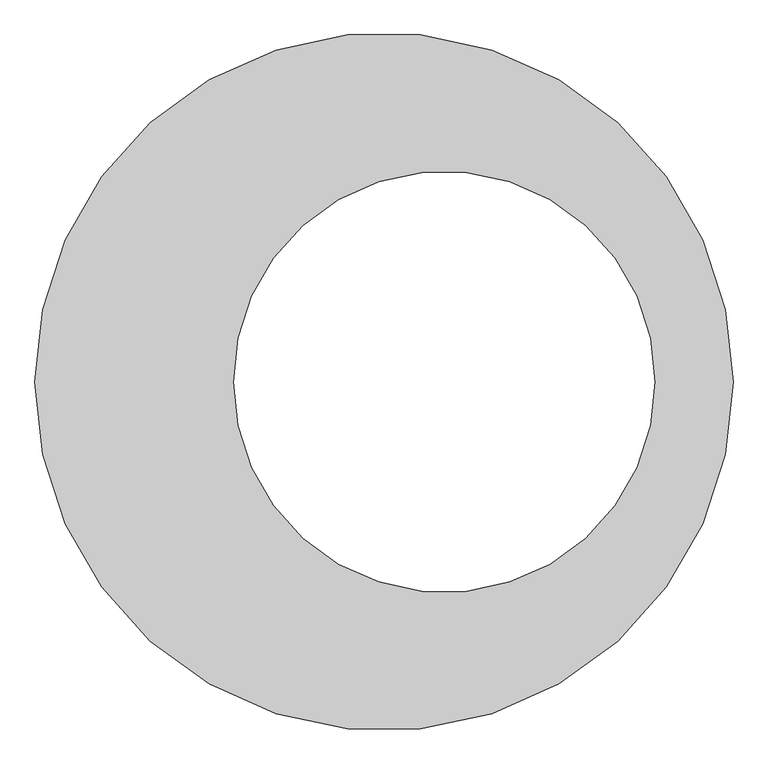
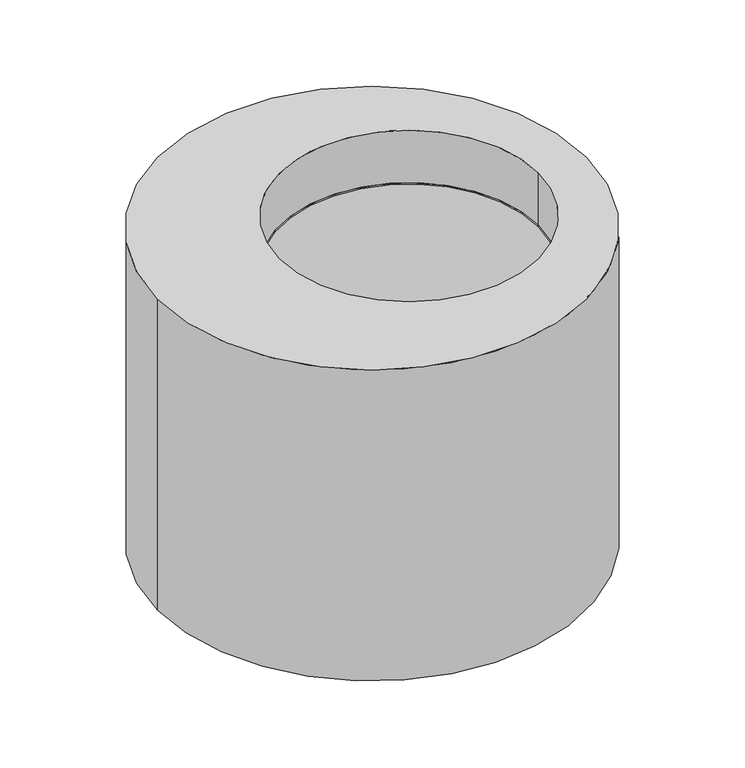
"""IFC4 building model written with IfcOpenShell, lengths in millimetres: proxy geometry."""

from ifc_helpers import new_model, si_unit, frame, origin, origin_with_axes, place, context, project, spatial, polyline, circle_curve, source, transform, mapped, element, save
from ifc_brep_helpers import plane_surface, cylinder_surface, revolved_surface, advanced_brep


def generic_models_6e55c019(model_context):
    return source(origin(), model_context, "Body", "AdvancedBrep", [
        advanced_brep(
        [(-496.0, 0.0, 736.0), (496.0, 0.0, 736.0), (-250.0, 0.0, 736.0), (450.0, 0.0, 736.0), (-500.0, 0.0, 740.0), (500.0, 0.0, 740.0), (450.0, 0.0, 740.0), (-250.0, 0.0, 740.0), (-500.0, 0.0, 736.0), (500.0, 0.0, 736.0), (-500.0, 0.0, 0.0), (500.0, 0.0, 0.0), (-496.0, 0.0, 0.0), (496.0, 0.0, 0.0)],
        [
            (0, 1, circle_curve(frame((0.0, 0.0, 736.0), z_axis=(0.0, 0.0, -1.0), x_axis=(1.0, 0.0, 0.0)), 496.0)),
            (1, 0, circle_curve(frame((0.0, 0.0, 736.0), z_axis=(0.0, 0.0, -1.0), x_axis=(1.0, 0.0, 0.0)), 496.0)),
            (2, 3, circle_curve(frame((100.0, 0.0, 736.0), z_axis=(0.0, 0.0, 1.0), x_axis=(1.0, 0.0, 0.0)), 350.0)),
            (3, 2, circle_curve(frame((100.0, 0.0, 736.0), z_axis=(0.0, 0.0, 1.0), x_axis=(1.0, 0.0, 0.0)), 350.0)),
            (4, 5, circle_curve(frame((0.0, 0.0, 740.0), z_axis=(0.0, 0.0, 1.0), x_axis=(1.0, 0.0, 0.0)), 500.0)),
            (5, 4, circle_curve(frame((0.0, 0.0, 740.0), z_axis=(0.0, 0.0, 1.0), x_axis=(1.0, 0.0, 0.0)), 500.0)),
            (6, 7, circle_curve(frame((100.0, 0.0, 740.0), z_axis=(0.0, 0.0, -1.0), x_axis=(1.0, 0.0, 0.0)), 350.0)),
            (7, 6, circle_curve(frame((100.0, 0.0, 740.0), z_axis=(0.0, 0.0, -1.0), x_axis=(1.0, 0.0, 0.0)), 350.0)),
            (4, 8),
            (8, 9, circle_curve(frame((0.0, 0.0, 736.0), z_axis=(0.0, 0.0, 1.0), x_axis=(1.0, 0.0, 0.0)), 500.0)),
            (9, 5),
            (9, 8, circle_curve(frame((0.0, 0.0, 736.0), z_axis=(0.0, 0.0, 1.0), x_axis=(1.0, 0.0, 0.0)), 500.0)),
            (10, 11, circle_curve(frame((0.0, 0.0, 0.0), z_axis=(0.0, 0.0, -1.0), x_axis=(1.0, 0.0, 0.0)), 500.0)),
            (11, 10, circle_curve(frame((0.0, 0.0, 0.0), z_axis=(0.0, 0.0, -1.0), x_axis=(1.0, 0.0, 0.0)), 500.0)),
            (12, 13, circle_curve(origin_with_axes(), 496.0)),
            (13, 12, circle_curve(origin_with_axes(), 496.0)),
            (11, 9),
            (8, 10),
            (13, 1),
            (0, 12),
            (2, 7),
            (6, 3),
        ],
        [
            plane_surface(frame((500.0, 0.0, 736.0), z_axis=(0.0, 0.0, -1.0), x_axis=(0.0, -1.0, 0.0))),
            plane_surface(frame((500.0, 0.0, 740.0), z_axis=(0.0, 0.0, 1.0), x_axis=(0.0, 1.0, 0.0))),
            cylinder_surface(frame((0.0, 0.0, 736.0), z_axis=(0.0, 0.0, 1.0), x_axis=(1.0, 0.0, 0.0)), 500.0),
            plane_surface(frame((500.0, 0.0, 0.0), z_axis=(0.0, 0.0, -1.0), x_axis=(0.0, -1.0, 0.0))),
            cylinder_surface(origin_with_axes(), 500.0),
            revolved_surface(polyline([(496.0, 0.0, 0.0), (496.0, 0.0, 736.0)]), (0.0, 0.0, 0.0), (0.0, 0.0, -1.0)),
            revolved_surface(polyline([(450.0, 0.0, 740.0), (450.0, 0.0, 736.0)]), (100.0, 0.0, 736.0), (0.0, 0.0, 1.0)),
        ],
        [
            (0, [[1, 2], [3, 4]]),
            (1, [[5, 6], [7, 8]]),
            (2, [[-5, 9, 10, 11]]),
            (2, [[-6, -11, 12, -9]]),
            (3, [[13, 14], [15, 16]]),
            (4, [[-14, 17, -10, 18]]),
            (4, [[-13, -18, -12, -17]]),
            (5, [[-16, 19, -1, 20]]),
            (5, [[-15, -20, -2, -19]]),
            (6, [[21, -7, 22, -3]]),
            (6, [[-21, -4, -22, -8]]),
        ],
    ),
        advanced_brep(
        [(-580.0, 0.0, 890.0), (580.0, 0.0, 890.0), (450.0, 0.0, 890.0), (-250.0, 0.0, 890.0), (-580.0, 0.0, 0.0), (580.0, 0.0, 0.0), (-500.0, 0.0, 0.0), (500.0, 0.0, 0.0), (-500.0, 0.0, 740.0), (500.0, 0.0, 740.0), (-250.0, 0.0, 740.0), (450.0, 0.0, 740.0)],
        [
            (0, 1, circle_curve(frame((0.0, 0.0, 890.0), z_axis=(0.0, 0.0, 1.0), x_axis=(1.0, 0.0, 0.0)), 580.0)),
            (1, 0, circle_curve(frame((0.0, 0.0, 890.0), z_axis=(0.0, 0.0, 1.0), x_axis=(1.0, 0.0, 0.0)), 580.0)),
            (2, 3, circle_curve(frame((100.0, 0.0, 890.0), z_axis=(0.0, 0.0, -1.0), x_axis=(1.0, 0.0, 0.0)), 350.0)),
            (3, 2, circle_curve(frame((100.0, 0.0, 890.0), z_axis=(0.0, 0.0, -1.0), x_axis=(1.0, 0.0, 0.0)), 350.0)),
            (4, 5, circle_curve(frame((0.0, 0.0, 0.0), z_axis=(0.0, 0.0, -1.0), x_axis=(1.0, 0.0, 0.0)), 580.0)),
            (5, 4, circle_curve(frame((0.0, 0.0, 0.0), z_axis=(0.0, 0.0, -1.0), x_axis=(1.0, 0.0, 0.0)), 580.0)),
            (6, 7, circle_curve(origin_with_axes(), 500.0)),
            (7, 6, circle_curve(origin_with_axes(), 500.0)),
            (0, 4),
            (5, 1),
            (8, 9, circle_curve(frame((0.0, 0.0, 740.0), z_axis=(0.0, 0.0, -1.0), x_axis=(1.0, 0.0, 0.0)), 500.0)),
            (9, 8, circle_curve(frame((0.0, 0.0, 740.0), z_axis=(0.0, 0.0, -1.0), x_axis=(1.0, 0.0, 0.0)), 500.0)),
            (10, 11, circle_curve(frame((100.0, 0.0, 740.0), z_axis=(0.0, 0.0, 1.0), x_axis=(1.0, 0.0, 0.0)), 350.0)),
            (11, 10, circle_curve(frame((100.0, 0.0, 740.0), z_axis=(0.0, 0.0, 1.0), x_axis=(1.0, 0.0, 0.0)), 350.0)),
            (9, 7),
            (6, 8),
            (10, 3),
            (2, 11),
        ],
        [
            plane_surface(frame((580.0, 0.0, 890.0), z_axis=(0.0, 0.0, 1.0), x_axis=(0.0, 1.0, 0.0))),
            plane_surface(frame((580.0, 0.0, 0.0), z_axis=(0.0, 0.0, -1.0), x_axis=(0.0, -1.0, 0.0))),
            cylinder_surface(origin_with_axes(), 580.0),
            plane_surface(frame((500.0, 0.0, 740.0), z_axis=(0.0, 0.0, -1.0), x_axis=(0.0, 1.0, 0.0))),
            revolved_surface(polyline([(500.0, 0.0, 740.0), (500.0, 0.0, 0.0)]), (0.0, 0.0, 0.0), (0.0, 0.0, 1.0)),
            revolved_surface(polyline([(450.0, 0.0, 890.0), (450.0, 0.0, 740.0)]), (100.0, 0.0, 736.0), (0.0, 0.0, 1.0)),
        ],
        [
            (0, [[1, 2], [3, 4]]),
            (1, [[5, 6], [7, 8]]),
            (2, [[-1, 9, -6, 10]]),
            (2, [[-2, -10, -5, -9]]),
            (3, [[11, 12], [13, 14]]),
            (4, [[-12, 15, -7, 16]]),
            (4, [[-11, -16, -8, -15]]),
            (5, [[17, -3, 18, -13]]),
            (5, [[-17, -14, -18, -4]]),
        ],
    ),
    ])


if __name__ == "__main__":
    model = new_model("IFC4")
    model_context = context("Model", 3, world=origin())
    ifc_project = project(units=[si_unit("LENGTHUNIT", "METRE", prefix="MILLI")], contexts=[model_context])
    site = spatial("IfcSite", under=ifc_project)
    building = spatial("IfcBuilding", under=site)
    placement = place(None, origin())
    generic_models_shape = generic_models_6e55c019(model_context)
    element("IfcBuildingElementProxy", 1, Name="Generic Models", at=placement, inside=building, context=model_context, shape_type="MappedRepresentation", body=[
        mapped(generic_models_shape, transform((0.0, 0.0, 0.0), x_axis=(1.0, 0.0, 0.0), y_axis=(0.0, 1.0, 0.0), z_axis=(0.0, 0.0, 1.0))),
    ])
    save(model, "model.ifc")
